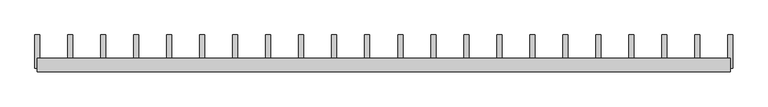
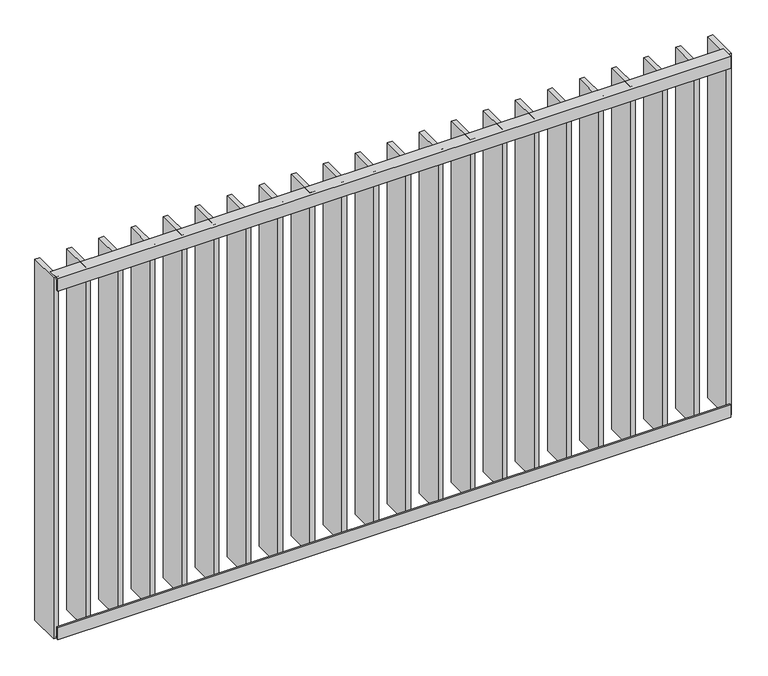
"""IFC4 building model written with IfcOpenShell, lengths in millimetres: railing geometry."""

from ifc_helpers import new_model, si_unit, frame, origin, place, context, project, spatial, polyline, outline, extrude, source, transform, mapped, element, save


def railing_b26f7fbf(model_context):
    return source(origin(), model_context, "Body", "SweptSolid", [
        extrude(outline(polyline([(-14.0, -6.0), (-14.0, -40.0), (-20.0, -40.0), (-20.0, 0.0), (20.0, 0.0), (20.0, -6.0), (-14.0, -6.0)])), frame((42609.5112064, 6384.7883888, 8000.0), z_axis=(1.0, -4.887999748549007e-12, 0.0), x_axis=(4.887999748549007e-12, 1.0, 0.0)), (0.0, 0.0, 1.0), 2080.0),
        extrude(outline(polyline([(-14.0, 6.0), (20.0, 6.0), (20.0, 0.0), (-20.0, 0.0), (-20.0, 40.0), (-14.0, 40.0), (-14.0, 6.0)])), frame((42609.5112064, 6384.7883888, 6820.0), z_axis=(1.0, -4.887999748549007e-12, 0.0), x_axis=(4.887999748549007e-12, 1.0, 0.0)), (0.0, 0.0, 1.0), 2080.0),
        extrude(outline(polyline([(44582.9635874, 6374.7883888), (44582.9635874, 6474.7883888), (44597.9635874, 6474.7883888), (44597.9635874, 6374.7883888), (44582.9635874, 6374.7883888)])), frame((0.0, 0.0, 6819.9), z_axis=(0.0, 0.0, 1.0), x_axis=(1.0, 0.0, 0.0)), (0.0, 0.0, 1.0), 1180.2),
        extrude(outline(polyline([(44483.9159683, 6374.7883888), (44483.9159683, 6474.7883888), (44498.9159683, 6474.7883888), (44498.9159683, 6374.7883888), (44483.9159683, 6374.7883888)])), frame((0.0, 0.0, 6819.9), z_axis=(0.0, 0.0, 1.0), x_axis=(1.0, 0.0, 0.0)), (0.0, 0.0, 1.0), 1180.2),
        extrude(outline(polyline([(44384.8683493, 6374.7883888), (44384.8683493, 6474.7883888), (44399.8683493, 6474.7883888), (44399.8683493, 6374.7883888), (44384.8683493, 6374.7883888)])), frame((0.0, 0.0, 6819.9), z_axis=(0.0, 0.0, 1.0), x_axis=(1.0, 0.0, 0.0)), (0.0, 0.0, 1.0), 1180.2),
        extrude(outline(polyline([(44285.8207302, 6374.7883888), (44285.8207302, 6474.7883888), (44300.8207302, 6474.7883888), (44300.8207302, 6374.7883888), (44285.8207302, 6374.7883888)])), frame((0.0, 0.0, 6819.9), z_axis=(0.0, 0.0, 1.0), x_axis=(1.0, 0.0, 0.0)), (0.0, 0.0, 1.0), 1180.2),
        extrude(outline(polyline([(44186.7731112, 6374.7883888), (44186.7731112, 6474.7883888), (44201.7731112, 6474.7883888), (44201.7731112, 6374.7883888), (44186.7731112, 6374.7883888)])), frame((0.0, 0.0, 6819.9), z_axis=(0.0, 0.0, 1.0), x_axis=(1.0, 0.0, 0.0)), (0.0, 0.0, 1.0), 1180.2),
        extrude(outline(polyline([(44087.7254921, 6374.7883888), (44087.7254921, 6474.7883888), (44102.7254921, 6474.7883888), (44102.7254921, 6374.7883888), (44087.7254921, 6374.7883888)])), frame((0.0, 0.0, 6819.9), z_axis=(0.0, 0.0, 1.0), x_axis=(1.0, 0.0, 0.0)), (0.0, 0.0, 1.0), 1180.2),
        extrude(outline(polyline([(43988.6778731, 6374.7883888), (43988.6778731, 6474.7883888), (44003.6778731, 6474.7883888), (44003.6778731, 6374.7883888), (43988.6778731, 6374.7883888)])), frame((0.0, 0.0, 6819.9), z_axis=(0.0, 0.0, 1.0), x_axis=(1.0, 0.0, 0.0)), (0.0, 0.0, 1.0), 1180.2),
        extrude(outline(polyline([(43889.630254, 6374.7883888), (43889.630254, 6474.7883888), (43904.630254, 6474.7883888), (43904.630254, 6374.7883888), (43889.630254, 6374.7883888)])), frame((0.0, 0.0, 6819.9), z_axis=(0.0, 0.0, 1.0), x_axis=(1.0, 0.0, 0.0)), (0.0, 0.0, 1.0), 1180.2),
        extrude(outline(polyline([(43790.582635, 6374.7883888), (43790.582635, 6474.7883888), (43805.582635, 6474.7883888), (43805.582635, 6374.7883888), (43790.582635, 6374.7883888)])), frame((0.0, 0.0, 6819.9), z_axis=(0.0, 0.0, 1.0), x_axis=(1.0, 0.0, 0.0)), (0.0, 0.0, 1.0), 1180.2),
        extrude(outline(polyline([(43691.5350159, 6374.7883888), (43691.5350159, 6474.7883888), (43706.5350159, 6474.7883888), (43706.5350159, 6374.7883888), (43691.5350159, 6374.7883888)])), frame((0.0, 0.0, 6819.9), z_axis=(0.0, 0.0, 1.0), x_axis=(1.0, 0.0, 0.0)), (0.0, 0.0, 1.0), 1180.2),
        extrude(outline(polyline([(43592.4873969, 6374.7883888), (43592.4873969, 6474.7883888), (43607.4873969, 6474.7883888), (43607.4873969, 6374.7883888), (43592.4873969, 6374.7883888)])), frame((0.0, 0.0, 6819.9), z_axis=(0.0, 0.0, 1.0), x_axis=(1.0, 0.0, 0.0)), (0.0, 0.0, 1.0), 1180.2),
        extrude(outline(polyline([(43493.4397778, 6374.7883888), (43493.4397778, 6474.7883888), (43508.4397778, 6474.7883888), (43508.4397778, 6374.7883888), (43493.4397778, 6374.7883888)])), frame((0.0, 0.0, 6819.9), z_axis=(0.0, 0.0, 1.0), x_axis=(1.0, 0.0, 0.0)), (0.0, 0.0, 1.0), 1180.2),
        extrude(outline(polyline([(43394.3921588, 6374.7883888), (43394.3921588, 6474.7883888), (43409.3921588, 6474.7883888), (43409.3921588, 6374.7883888), (43394.3921588, 6374.7883888)])), frame((0.0, 0.0, 6819.9), z_axis=(0.0, 0.0, 1.0), x_axis=(1.0, 0.0, 0.0)), (0.0, 0.0, 1.0), 1180.2),
        extrude(outline(polyline([(43295.3445398, 6374.7883888), (43295.3445398, 6474.7883888), (43310.3445398, 6474.7883888), (43310.3445398, 6374.7883888), (43295.3445398, 6374.7883888)])), frame((0.0, 0.0, 6819.9), z_axis=(0.0, 0.0, 1.0), x_axis=(1.0, 0.0, 0.0)), (0.0, 0.0, 1.0), 1180.2),
        extrude(outline(polyline([(43196.2969207, 6374.7883888), (43196.2969207, 6474.7883888), (43211.2969207, 6474.7883888), (43211.2969207, 6374.7883888), (43196.2969207, 6374.7883888)])), frame((0.0, 0.0, 6819.9), z_axis=(0.0, 0.0, 1.0), x_axis=(1.0, 0.0, 0.0)), (0.0, 0.0, 1.0), 1180.2),
        extrude(outline(polyline([(43097.2493017, 6374.7883888), (43097.2493017, 6474.7883888), (43112.2493017, 6474.7883888), (43112.2493017, 6374.7883888), (43097.2493017, 6374.7883888)])), frame((0.0, 0.0, 6819.9), z_axis=(0.0, 0.0, 1.0), x_axis=(1.0, 0.0, 0.0)), (0.0, 0.0, 1.0), 1180.2),
        extrude(outline(polyline([(42998.2016826, 6374.7883888), (42998.2016826, 6474.7883888), (43013.2016826, 6474.7883888), (43013.2016826, 6374.7883888), (42998.2016826, 6374.7883888)])), frame((0.0, 0.0, 6819.9), z_axis=(0.0, 0.0, 1.0), x_axis=(1.0, 0.0, 0.0)), (0.0, 0.0, 1.0), 1180.2),
        extrude(outline(polyline([(42899.1540636, 6374.7883888), (42899.1540636, 6474.7883888), (42914.1540636, 6474.7883888), (42914.1540636, 6374.7883888), (42899.1540636, 6374.7883888)])), frame((0.0, 0.0, 6819.9), z_axis=(0.0, 0.0, 1.0), x_axis=(1.0, 0.0, 0.0)), (0.0, 0.0, 1.0), 1180.2),
        extrude(outline(polyline([(42800.1064445, 6374.7883888), (42800.1064445, 6474.7883888), (42815.1064445, 6474.7883888), (42815.1064445, 6374.7883888), (42800.1064445, 6374.7883888)])), frame((0.0, 0.0, 6819.9), z_axis=(0.0, 0.0, 1.0), x_axis=(1.0, 0.0, 0.0)), (0.0, 0.0, 1.0), 1180.2),
        extrude(outline(polyline([(42701.0588255, 6374.7883888), (42701.0588255, 6474.7883888), (42716.0588255, 6474.7883888), (42716.0588255, 6374.7883888), (42701.0588255, 6374.7883888)])), frame((0.0, 0.0, 6819.9), z_axis=(0.0, 0.0, 1.0), x_axis=(1.0, 0.0, 0.0)), (0.0, 0.0, 1.0), 1180.2),
        extrude(outline(polyline([(44682.0112064, 6374.7883888), (44682.0112064, 6474.7883888), (44697.0112064, 6474.7883888), (44697.0112064, 6374.7883888), (44682.0112064, 6374.7883888)])), frame((0.0, 0.0, 6819.9), z_axis=(0.0, 0.0, 1.0), x_axis=(1.0, 0.0, 0.0)), (0.0, 0.0, 1.0), 1180.2),
        extrude(outline(polyline([(42602.0112064, 6374.7883888), (42602.0112064, 6474.7883888), (42617.0112064, 6474.7883888), (42617.0112064, 6374.7883888), (42602.0112064, 6374.7883888)])), frame((0.0, 0.0, 6819.9), z_axis=(0.0, 0.0, 1.0), x_axis=(1.0, 0.0, 0.0)), (0.0, 0.0, 1.0), 1180.2),
    ])


if __name__ == "__main__":
    model = new_model("IFC4")
    model_context = context("Model", 3, world=origin())
    ifc_project = project(units=[si_unit("LENGTHUNIT", "METRE", prefix="MILLI")], contexts=[model_context])
    site = spatial("IfcSite", under=ifc_project)
    building = spatial("IfcBuilding", under=site)
    placement = place(None, origin())
    railing_shape = railing_b26f7fbf(model_context)
    element("IfcRailing", 1, at=placement, inside=building, context=model_context, shape_type="MappedRepresentation", body=[
        mapped(railing_shape, transform((0.0, 0.0, 0.0), x_axis=(1.0, 0.0, 0.0), y_axis=(0.0, 1.0, 0.0), z_axis=(0.0, 0.0, 1.0))),
    ])
    save(model, "model.ifc")
